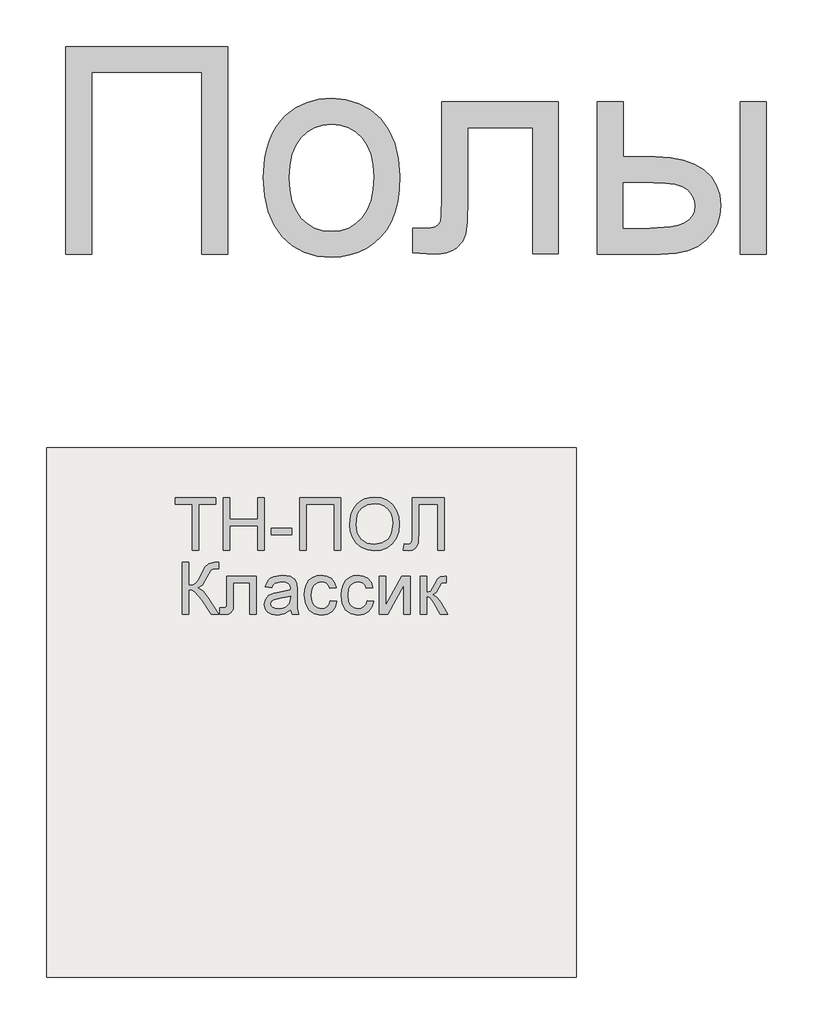
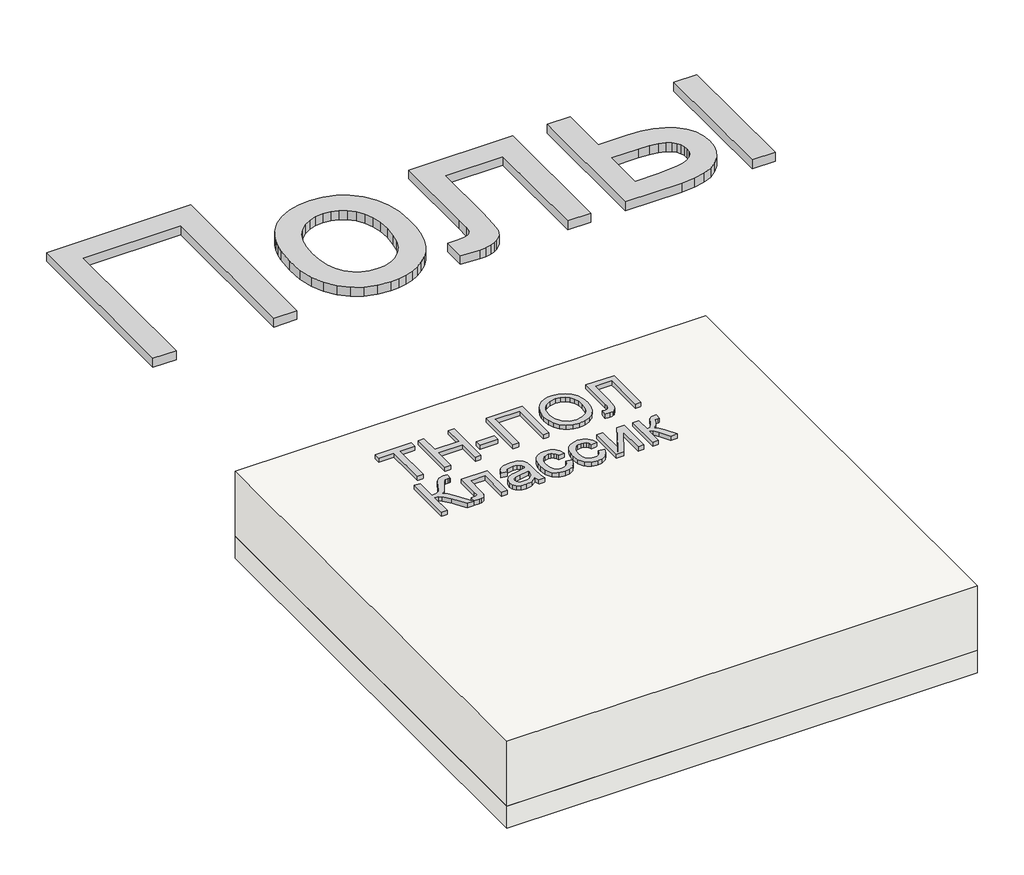
# One storey: 2 proxies, 2 slabs.
"""IFC4 building model written with IfcOpenShell, lengths in millimetres."""

from ifc_helpers import new_model, si_unit, frame, origin, origin_with_axes, place, context, project, spatial, polyline, outline, extrude, element, save

model = new_model("IFC4")

# Units and contexts
model_context = context("Model", 3, world=origin())
ifc_project = project(units=[si_unit("LENGTHUNIT", "METRE", prefix="MILLI")], contexts=[model_context])

# Site, building, storey
site = spatial("IfcSite", under=ifc_project)
building = spatial("IfcBuilding", under=site)
storey = spatial("IfcBuildingStorey", under=building, Elevation=0.0)

# Proxies
placement = place(None, origin())
element("IfcBuildingElementProxy", 1, Name="Generic Models", at=placement, inside=storey, context=model_context, shape_type="SweptSolid", body=[
    extrude(outline(polyline([(-2221.4493901, -14787.7817103), (-1609.328178, -14787.7817103), (-1609.328178, -15571.2968619), (-1707.2675719, -15571.2968619), (-1707.2675719, -14885.7211043), (-2123.5099961, -14885.7211043), (-2123.5099961, -15571.2968619), (-2221.4493901, -15571.2968619), (-2221.4493901, -14787.7817103)])), origin_with_axes(), (0.0, 0.0, 1.0), 40.0),
    extrude(outline(polyline([(-1474.6615113, -15283.5998922), (-1469.3652282, -15209.0813079), (-1462.7448742, -15175.6866287), (-1453.4763787, -15144.8683581), (-1441.5597416, -15116.6264961), (-1426.994963, -15090.9610427), (-1409.7820428, -15067.871998), (-1389.920981, -15047.3593619), (-1352.5959336, -15019.491109), (-1311.3973068, -14999.5852141), (-1266.3251003, -14987.6416772), (-1217.3793143, -14983.6604982), (-1163.3464663, -14988.5084504), (-1114.4903465, -15003.0523069), (-1070.810955, -15027.2920678), (-1032.3082916, -15061.2277331), (-1000.8832798, -15103.7115754), (-978.4368427, -15153.5958675), (-964.9689805, -15210.8806095), (-960.4796931, -15275.5658013), (-962.4643049, -15327.9906355), (-968.4181401, -15374.5094566), (-978.3411988, -15415.1222643), (-992.233481, -15449.8290588), (-1009.921632, -15479.8074561), (-1031.2322973, -15506.2350721), (-1056.1654767, -15529.1119068), (-1084.7211704, -15548.4379603), (-1115.7875175, -15563.7947904), (-1148.2526571, -15574.7639547), (-1182.1165894, -15581.3454532), (-1217.3793143, -15583.5392861), (-1272.2012248, -15578.7092672), (-1321.5116533, -15564.2192103), (-1365.3105998, -15540.0691156), (-1403.5980643, -15506.2589831), (-1434.6883224, -15463.3626763), (-1456.8956496, -15411.9540588), (-1470.2200459, -15352.0331308), (-1474.6615113, -15283.5998922)]), holes=[polyline([(-1376.7221174, -15283.4086043), (-1373.8886657, -15330.9137534), (-1365.3883105, -15372.0466251), (-1351.221052, -15406.8072193), (-1331.3868901, -15435.1955361), (-1307.2607064, -15457.2474419), (-1280.2173825, -15472.9988031), (-1250.2569185, -15482.4496199), (-1217.3793143, -15485.5998922), (-1184.6690871, -15482.4316867), (-1154.828178, -15472.9270702), (-1127.8565871, -15457.0860427), (-1103.7543143, -15434.9086043), (-1083.9201524, -15406.2393335), (-1069.7528939, -15370.9228088), (-1061.2525388, -15328.9590304), (-1058.4190871, -15280.3479982), (-1061.270472, -15234.3492411), (-1069.8246268, -15194.2923638), (-1084.0815515, -15160.1773661), (-1104.0412461, -15132.0042482), (-1128.2331851, -15109.9523424), (-1155.1868427, -15094.2009812), (-1184.9022192, -15084.7501644), (-1217.3793143, -15081.5998922), (-1250.2569185, -15084.7382089), (-1280.2173825, -15094.1531592), (-1307.2607064, -15109.844743), (-1331.3868901, -15131.8129603), (-1351.221052, -15160.1175887), (-1365.3883105, -15194.8184054), (-1373.8886657, -15235.9154106), (-1376.7221174, -15283.4086043)])]), origin_with_axes(), (0.0, 0.0, 1.0), 40.0),
    extrude(outline(polyline([(-801.328178, -14995.9029225), (-360.6009052, -14995.9029225), (-360.6009052, -15570.7229982), (-458.5402992, -15570.7229982), (-458.5402992, -15093.8423164), (-703.388784, -15093.8423164), (-703.388784, -15368.3404225), (-705.038642, -15448.011824), (-709.9882158, -15494.9729982), (-722.350195, -15523.6422691), (-746.2372689, -15548.4379603), (-762.7119374, -15558.4387298), (-782.4863219, -15565.5821365), (-805.5604223, -15569.8681805), (-831.9342386, -15571.2968619), (-911.5099961, -15566.323377), (-911.5099961, -15473.3574679), (-867.7050719, -15473.3574679), (-841.1399677, -15471.8510759), (-823.421928, -15467.3318997), (-812.351142, -15459.5369187), (-805.7277992, -15448.2031119), (-802.4280833, -15420.2989925), (-801.328178, -15362.793074), (-801.328178, -14995.9029225)])), origin_with_axes(), (0.0, 0.0, 1.0), 40.0),
    extrude(outline(polyline([(-213.6918143, -14995.9029225), (-115.7524204, -14995.9029225), (-115.7524204, -15204.0241346), (5.3328069, -15204.0241346), (61.0513793, -15207.0907184), (109.9911876, -15216.2904698), (152.1522316, -15231.6233888), (187.5345114, -15253.0894755), (215.5282969, -15279.9474892), (235.523858, -15311.4561895), (247.5211947, -15347.6155763), (251.5203069, -15388.4256497), (248.1667913, -15424.8361019), (238.1062444, -15458.5087463), (221.3386663, -15489.443583), (197.8640569, -15517.6406119), (167.0248642, -15541.1152212), (128.1635361, -15557.8827994), (81.2800725, -15567.9433462), (26.3744736, -15571.2968619), (-213.6918143, -15571.2968619), (-213.6918143, -14995.9029225)]), holes=[polyline([(-115.7524204, -15473.3574679), (-15.1349961, -15473.3574679), (62.8626364, -15468.2166062), (92.0699044, -15461.790529), (114.7494736, -15452.794021), (131.7382283, -15441.0716606), (143.8730531, -15426.4680266), (151.153948, -15408.983119), (153.5809129, -15388.6169376), (151.7816113, -15372.1542245), (146.3837065, -15356.6240399), (137.3871985, -15342.0263836), (124.7920872, -15328.3612558), (106.0518528, -15316.8122501), (78.6199754, -15308.5629603), (42.4964551, -15303.6133865), (-2.3187083, -15301.9635285), (-115.7524204, -15301.9635285), (-115.7524204, -15473.3574679)])]), origin_with_axes(), (0.0, 0.0, 1.0), 40.0),
    extrude(outline(polyline([(324.9748523, -14995.9029225), (422.9142463, -14995.9029225), (422.9142463, -15571.2968619), (324.9748523, -15571.2968619), (324.9748523, -14995.9029225)])), origin_with_axes(), (0.0, 0.0, 1.0), 40.0),
])
element("IfcBuildingElementProxy", 2, Name="Generic Models", at=placement, inside=storey, context=model_context, shape_type="SweptSolid", body=[
    extrude(outline(polyline([(-1743.1813356, -16688.792124), (-1743.1813356, -16516.4844317), (-1807.7967202, -16516.4844317), (-1807.7967202, -16491.8690471), (-1653.9505664, -16491.8690471), (-1653.9505664, -16516.4844317), (-1718.565951, -16516.4844317), (-1718.565951, -16688.792124), (-1743.1813356, -16688.792124)])), origin_with_axes(), (0.0, 0.0, 1.0), 20.0),
    extrude(outline(polyline([(-1626.2582587, -16688.792124), (-1626.2582587, -16491.8690471), (-1601.6428741, -16491.8690471), (-1601.6428741, -16571.8690471), (-1497.0274894, -16571.8690471), (-1497.0274894, -16491.8690471), (-1472.4121048, -16491.8690471), (-1472.4121048, -16688.792124), (-1497.0274894, -16688.792124), (-1497.0274894, -16596.4844317), (-1601.6428741, -16596.4844317), (-1601.6428741, -16688.792124), (-1626.2582587, -16688.792124)])), origin_with_axes(), (0.0, 0.0, 1.0), 20.0),
    extrude(outline(polyline([(-1444.7197971, -16630.3305856), (-1444.7197971, -16605.7152009), (-1367.7967202, -16605.7152009), (-1367.7967202, -16630.3305856), (-1444.7197971, -16630.3305856)])), origin_with_axes(), (0.0, 0.0, 1.0), 20.0),
    extrude(outline(polyline([(-1337.0274894, -16491.8690471), (-1183.1813356, -16491.8690471), (-1183.1813356, -16688.792124), (-1207.7967202, -16688.792124), (-1207.7967202, -16516.4844317), (-1312.4121048, -16516.4844317), (-1312.4121048, -16688.792124), (-1337.0274894, -16688.792124), (-1337.0274894, -16491.8690471)])), origin_with_axes(), (0.0, 0.0, 1.0), 20.0),
    extrude(outline(polyline([(-1149.3351818, -16592.9267394), (-1147.6945568, -16569.8287827), (-1142.7726818, -16549.3810663), (-1134.5695568, -16531.5835904), (-1123.0851818, -16516.4363548), (-1109.0076577, -16504.3420038), (-1093.0250856, -16495.7031817), (-1075.1374654, -16490.5198884), (-1055.3447971, -16488.792124), (-1029.5154702, -16492.0373163), (-1006.3544125, -16501.7728932), (-987.1236433, -16517.3137586), (-973.0851818, -16537.9748163), (-964.503451, -16562.7584702), (-961.6428741, -16590.667124), (-964.6536914, -16618.948374), (-973.6861433, -16644.0805856), (-988.2414318, -16664.7777009), (-1007.8207587, -16679.7536625), (-1030.7834991, -16688.8402009), (-1055.4890279, -16691.8690471), (-1081.7149894, -16688.5216913), (-1105.0082587, -16678.479624), (-1124.190951, -16662.6502971), (-1138.0851818, -16641.9411625), (-1146.5226818, -16618.1130375), (-1149.3351818, -16592.9267394)]), holes=[polyline([(-1124.7197971, -16593.167124), (-1119.7979221, -16623.9724125), (-1105.0322971, -16647.4459702), (-1082.8387875, -16662.3017394), (-1055.6332587, -16667.2536625), (-1028.0310952, -16662.2536625), (-1005.8015279, -16647.2536625), (-997.2513476, -16636.2049846), (-991.144076, -16623.0589509), (-986.2582587, -16590.4748163), (-988.3496048, -16568.6839509), (-994.6236433, -16549.8498163), (-1004.9181144, -16534.4471721), (-1019.0707587, -16522.9507779), (-1036.144076, -16515.7933259), (-1055.2005664, -16513.4075086), (-1081.6789318, -16518.0048644), (-1104.190951, -16531.7969317), (-1113.1723212, -16542.5286024), (-1119.5875856, -16556.3341913), (-1124.7197971, -16593.167124)])]), origin_with_axes(), (0.0, 0.0, 1.0), 20.0),
    extrude(outline(polyline([(-912.4121048, -16491.8690471), (-792.4121048, -16491.8690471), (-792.4121048, -16688.792124), (-817.0274894, -16688.792124), (-817.0274894, -16516.4844317), (-887.7967202, -16516.4844317), (-887.7967202, -16616.9652009), (-890.6572971, -16661.7969317), (-895.0863837, -16674.4652009), (-902.6524894, -16683.9603932), (-913.0130664, -16689.8918836), (-925.8255664, -16691.8690471), (-946.2582587, -16688.792124), (-943.1813356, -16664.1767394), (-931.4024894, -16667.2536625), (-923.0791721, -16665.6010182), (-917.1476818, -16660.6430856), (-913.5959991, -16649.5553452), (-912.4121048, -16629.5132779), (-912.4121048, -16491.8690471)])), origin_with_axes(), (0.0, 0.0, 1.0), 20.0),
    extrude(outline(polyline([(-1781.6428741, -16734.9459702), (-1757.0274894, -16734.9459702), (-1757.0274894, -16821.0998163), (-1740.362826, -16819.4712106), (-1729.503451, -16814.5853932), (-1720.7234029, -16803.088999), (-1710.2967202, -16781.6286625), (-1696.7149894, -16754.104624), (-1681.3303741, -16740.4748163), (-1659.3351818, -16734.9459702), (-1643.1813356, -16735.2344317), (-1643.1813356, -16759.8498163), (-1648.6140279, -16759.7055856), (-1654.0467202, -16759.5613548), (-1665.3207587, -16761.0397202), (-1673.2774894, -16765.4748163), (-1687.8928741, -16790.8113548), (-1705.3207587, -16821.6767394), (-1722.315951, -16831.8690471), (-1703.3135471, -16842.9988548), (-1684.5755664, -16866.1959702), (-1643.1813356, -16931.8690471), (-1671.7390279, -16931.8690471), (-1706.7390279, -16876.3882779), (-1731.378451, -16847.4219317), (-1742.7546529, -16841.526499), (-1757.0274894, -16839.5613548), (-1757.0274894, -16931.8690471), (-1781.6428741, -16931.8690471), (-1781.6428741, -16734.9459702)])), origin_with_axes(), (0.0, 0.0, 1.0), 20.0),
    extrude(outline(polyline([(-1612.4121048, -16787.2536625), (-1501.6428741, -16787.2536625), (-1501.6428741, -16931.7248163), (-1526.2582587, -16931.7248163), (-1526.2582587, -16811.8690471), (-1587.7967202, -16811.8690471), (-1587.7967202, -16880.8594317), (-1589.4553741, -16912.6863548), (-1598.565951, -16926.1238548), (-1607.6765279, -16930.432749), (-1620.1044125, -16931.8690471), (-1640.1044125, -16930.6190471), (-1640.1044125, -16907.2536625), (-1629.0947971, -16907.2536625), (-1617.9649894, -16905.7392394), (-1613.5178741, -16900.9315471), (-1612.4121048, -16879.4652009), (-1612.4121048, -16787.2536625)])), origin_with_axes(), (0.0, 0.0, 1.0), 20.0),
    extrude(outline(polyline([(-1372.4121048, -16913.4075086), (-1396.2822971, -16930.0902009), (-1422.6524894, -16934.9459702), (-1443.2234029, -16932.0252971), (-1458.3976818, -16923.2632779), (-1467.7546529, -16909.9579894), (-1470.8736433, -16893.4075086), (-1466.1621048, -16873.9363548), (-1453.7822971, -16859.8017394), (-1436.5467202, -16851.7248163), (-1415.2486433, -16848.0228932), (-1372.5563356, -16839.5613548), (-1372.4121048, -16834.0805856), (-1374.1068164, -16823.0950086), (-1379.190951, -16815.9075086), (-1390.5611433, -16810.5709702), (-1406.4024894, -16808.792124), (-1431.3063356, -16813.5277009), (-1438.2895087, -16820.0962106), (-1443.1813356, -16830.3305856), (-1467.7967202, -16827.2536625), (-1457.1476818, -16803.2152009), (-1448.0731625, -16795.1262586), (-1435.7053741, -16789.1286625), (-1403.2294125, -16784.1767394), (-1373.3976818, -16788.5517394), (-1356.5467202, -16799.5373163), (-1348.9986433, -16816.2440471), (-1347.7967202, -16837.7825086), (-1347.7967202, -16868.4075086), (-1346.5467202, -16911.1719317), (-1341.6428741, -16931.8690471), (-1366.2582587, -16931.8690471), (-1372.4121048, -16913.4075086)]), holes=[polyline([(-1372.4121048, -16864.1767394), (-1412.1236433, -16871.7248163), (-1433.3015279, -16875.7152009), (-1442.8928741, -16882.2055856), (-1446.2582587, -16891.6767394), (-1444.425326, -16898.9964509), (-1438.9265279, -16904.9940471), (-1429.8820568, -16908.9964509), (-1417.4121048, -16910.3305856), (-1404.190951, -16908.8582298), (-1392.5082587, -16904.4411625), (-1376.4505664, -16890.1863548), (-1372.5563356, -16871.1478932), (-1372.4121048, -16864.1767394)])]), origin_with_axes(), (0.0, 0.0, 1.0), 20.0),
    extrude(outline(polyline([(-1221.6428741, -16879.5613548), (-1197.0274894, -16882.6382779), (-1203.8904702, -16904.5313067), (-1216.7871048, -16921.0757779), (-1234.503451, -16931.4784221), (-1255.8255664, -16934.9459702), (-1282.0094606, -16930.1082298), (-1302.4842202, -16915.5950086), (-1315.6993644, -16892.0433259), (-1320.1044125, -16860.0902009), (-1318.2234029, -16838.1851529), (-1312.5803741, -16819.2007779), (-1303.0851818, -16803.870249), (-1289.6476818, -16792.9267394), (-1273.5719606, -16786.3642394), (-1256.1621048, -16784.1767394), (-1235.362826, -16787.1815471), (-1218.7342202, -16796.1959702), (-1206.8051337, -16810.7392394), (-1200.1044125, -16830.3305856), (-1224.7197971, -16833.4075086), (-1229.1849414, -16822.6683259), (-1236.1380664, -16814.9700086), (-1245.1945568, -16810.3365952), (-1255.9697971, -16808.792124), (-1271.8772491, -16811.8329894), (-1284.503451, -16820.9555856), (-1292.7426337, -16836.6527009), (-1295.4890279, -16859.417124), (-1292.8027298, -16882.4880375), (-1284.7438356, -16898.2392394), (-1272.3459991, -16907.307749), (-1256.6428741, -16910.3305856), (-1243.8964798, -16908.4435663), (-1233.4457587, -16902.7825086), (-1225.8435952, -16893.2031817), (-1221.6428741, -16879.5613548)])), origin_with_axes(), (0.0, 0.0, 1.0), 20.0),
    extrude(outline(polyline([(-1083.1813356, -16879.5613548), (-1058.565951, -16882.6382779), (-1065.4289318, -16904.5313067), (-1078.3255664, -16921.0757779), (-1096.0419125, -16931.4784221), (-1117.3640279, -16934.9459702), (-1143.5479221, -16930.1082298), (-1164.0226818, -16915.5950086), (-1177.237826, -16892.0433259), (-1181.6428741, -16860.0902009), (-1179.7618644, -16838.1851529), (-1174.1188356, -16819.2007779), (-1164.6236433, -16803.870249), (-1151.1861433, -16792.9267394), (-1135.1104221, -16786.3642394), (-1117.7005664, -16784.1767394), (-1096.9012875, -16787.1815471), (-1080.2726818, -16796.1959702), (-1068.3435952, -16810.7392394), (-1061.6428741, -16830.3305856), (-1086.2582587, -16833.4075086), (-1090.7234029, -16822.6683259), (-1097.6765279, -16814.9700086), (-1106.7330183, -16810.3365952), (-1117.5082587, -16808.792124), (-1133.4157106, -16811.8329894), (-1146.0419125, -16820.9555856), (-1154.2810952, -16836.6527009), (-1157.0274894, -16859.417124), (-1154.3411914, -16882.4880375), (-1146.2822971, -16898.2392394), (-1133.8844606, -16907.307749), (-1118.1813356, -16910.3305856), (-1105.4349414, -16908.4435663), (-1094.9842202, -16902.7825086), (-1087.3820568, -16893.2031817), (-1083.1813356, -16879.5613548)])), origin_with_axes(), (0.0, 0.0, 1.0), 20.0),
    extrude(outline(polyline([(-1037.0274894, -16787.2536625), (-1012.4121048, -16787.2536625), (-1012.4121048, -16897.542124), (-951.9313356, -16787.2536625), (-920.1044125, -16787.2536625), (-920.1044125, -16931.8690471), (-944.7197971, -16931.8690471), (-944.7197971, -16822.2536625), (-1004.815951, -16931.8690471), (-1037.0274894, -16931.8690471), (-1037.0274894, -16787.2536625)])), origin_with_axes(), (0.0, 0.0, 1.0), 20.0),
    extrude(outline(polyline([(-883.1813356, -16787.2536625), (-858.565951, -16787.2536625), (-858.565951, -16848.792124), (-842.0755664, -16844.3690471), (-828.565951, -16818.5998163), (-817.3399894, -16796.3642394), (-807.4361433, -16789.1286625), (-789.4313356, -16787.2536625), (-784.7197971, -16787.2536625), (-784.7197971, -16812.0132779), (-791.3544125, -16811.8690471), (-803.3736433, -16814.4652009), (-811.8351818, -16830.667124), (-821.7630664, -16848.1911625), (-835.6813356, -16856.7728932), (-820.1524894, -16866.3522202), (-804.9121048, -16886.5325086), (-778.565951, -16931.8690471), (-806.5467202, -16931.8690471), (-832.3640279, -16887.4940471), (-845.3447971, -16868.7200086), (-858.565951, -16864.1767394), (-858.565951, -16931.8690471), (-883.1813356, -16931.8690471), (-883.1813356, -16787.2536625)])), origin_with_axes(), (0.0, 0.0, 1.0), 20.0),
])

# Slabs
element("IfcSlab", 3, at=placement, inside=storey, context=model_context, shape_type="SweptSolid", body=[
    extrude(outline(polyline([(-293.6044048, -16302.6148653), (-293.6044048, -18302.6148653), (-2293.6044048, -18302.6148653), (-2293.6044048, -16302.6148653), (-293.6044048, -16302.6148653)])), frame((0.0, 0.0, -291.0), z_axis=(0.0, 0.0, 1.0), x_axis=(1.0, 0.0, 0.0)), (0.0, 0.0, 1.0), 291.0),
])
element("IfcSlab", 4, at=placement, inside=storey, context=model_context, shape_type="SweptSolid", body=[
    extrude(outline(polyline([(-293.6044048, -16302.6148653), (-293.6044048, -18302.6148653), (-2293.6044048, -18302.6148653), (-2293.6044048, -16302.6148653), (-293.6044048, -16302.6148653)])), frame((0.0, 0.0, -391.0), z_axis=(0.0, 0.0, 1.0), x_axis=(1.0, 0.0, 0.0)), (0.0, 0.0, 1.0), 100.0),
])

save(model, "model.ifc")
